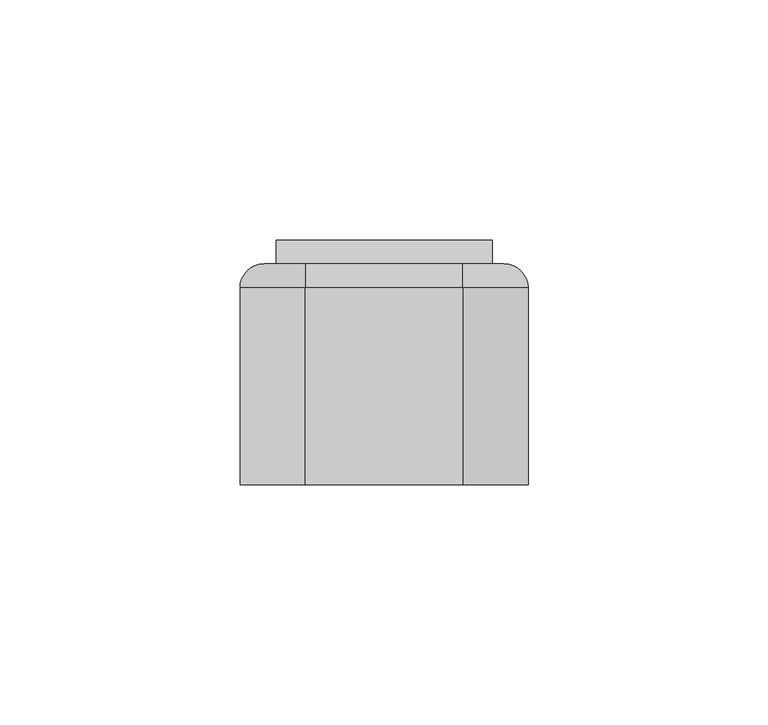
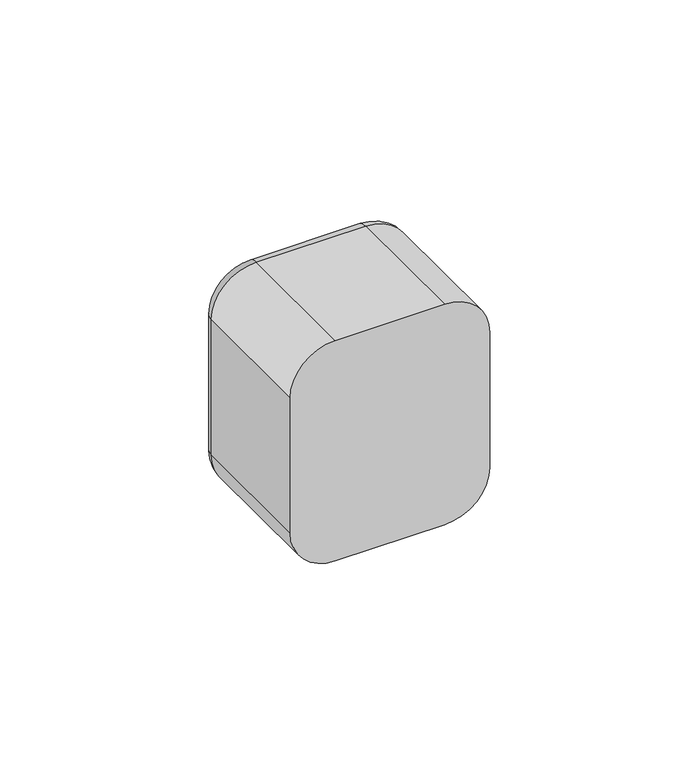
"""IFC4 building model written with IfcOpenShell, lengths in millimetres: switching device geometry."""

from ifc_helpers import new_model, si_unit, point, frame, origin, place, context, project, spatial, polyline, circle_curve, ellipse_curve, trimmed, outline, extrude, faceted_brep, source, transform, mapped, element, save
from ifc_brep_helpers import plane_surface, cylinder_surface, revolved_surface, advanced_brep


def switching_device_c38644a6(model_context):
    return source(origin(), model_context, "Body", "SolidModel", [
        advanced_brep(
        [(16.4328665, 46.0, 30.0), (25.0, 46.0, 21.4328665), (25.0, 46.0, -21.4328665), (16.4328665, 46.0, -30.0), (-16.4328665, 46.0, -30.0), (-25.0, 46.0, -21.4328665), (-25.0, 46.0, 21.4328665), (-16.4328665, 46.0, 30.0), (22.5, 46.0, 22.5), (-22.5, 46.0, 22.5), (-22.5, 46.0, -22.5), (22.5, 46.0, -22.5), (-16.4328665, 0.0, 35.0), (-30.0, 0.0, 21.4328665), (-30.0, 0.0, -21.4328665), (-16.4328665, 0.0, -35.0), (16.4328665, 0.0, -35.0), (30.0, 0.0, -21.4328665), (30.0, 0.0, 21.4328665), (16.4328665, 0.0, 35.0), (22.5, 2.0, -22.5), (22.5, 2.0, 22.5), (-22.5, 2.0, -22.5), (-22.5, 2.0, 22.5), (-30.0, 41.0, 21.4328665), (-30.0, 41.0, -21.4328665), (-16.4328665, 41.0, -35.0), (16.4328665, 41.0, -35.0), (30.0, 41.0, -21.4328665), (30.0, 41.0, 21.4328665), (16.4328665, 41.0000072, 35.0), (-16.4328665, 41.0, 35.0)],
        [
            (0, 1, circle_curve(frame((16.4328665, 46.0, 21.4328665), z_axis=(0.0, 1.0, 0.0), x_axis=(0.0, 0.0, 1.0)), 8.5671335)),
            (1, 2),
            (2, 3, circle_curve(frame((16.4328665, 46.0, -21.4328665), z_axis=(0.0, 1.0, 0.0), x_axis=(1.0, 0.0, 0.0)), 8.5671335)),
            (3, 4),
            (4, 5, circle_curve(frame((-16.4328665, 46.0, -21.4328665), z_axis=(0.0, 1.0, 0.0), x_axis=(0.0, 0.0, -1.0)), 8.5671335)),
            (5, 6),
            (6, 7, circle_curve(frame((-16.4328665, 46.0, 21.4328665), z_axis=(0.0, 1.0, 0.0), x_axis=(-1.0, 0.0, 0.0)), 8.5671335)),
            (7, 0),
            (8, 9),
            (9, 10),
            (10, 11),
            (11, 8),
            (12, 13, circle_curve(frame((-16.4328665, 0.0, 21.4328665), z_axis=(0.0, -1.0, 0.0), x_axis=(1.0, 0.0, 0.0)), 13.5671335)),
            (13, 14),
            (14, 15, circle_curve(frame((-16.4328665, 0.0, -21.4328665), z_axis=(0.0, -1.0, 0.0), x_axis=(1.0, 0.0, 0.0)), 13.5671335)),
            (15, 16),
            (16, 17, circle_curve(frame((16.4328665, 0.0, -21.4328665), z_axis=(0.0, -1.0, 0.0), x_axis=(1.0, 0.0, 0.0)), 13.5671335)),
            (17, 18),
            (18, 19, circle_curve(frame((16.4328665, 0.0, 21.4328665), z_axis=(0.0, -1.0, 0.0), x_axis=(1.0, 0.0, 0.0)), 13.5671335)),
            (19, 12),
            (11, 20),
            (20, 21),
            (21, 8),
            (10, 22),
            (22, 20),
            (9, 23),
            (23, 22),
            (21, 23),
            (13, 24),
            (24, 25),
            (25, 14),
            (15, 26),
            (26, 27),
            (27, 16),
            (17, 28),
            (28, 29),
            (29, 18),
            (19, 30),
            (30, 31),
            (31, 12),
            (31, 24, circle_curve(frame((-16.4328665, 41.0, 21.4328665), z_axis=(0.0, -1.0, 0.0), x_axis=(1.0, 0.0, 0.0)), 13.5671335)),
            (25, 26, circle_curve(frame((-16.4328665, 41.0, -21.4328665), z_axis=(0.0, -1.0, 0.0), x_axis=(1.0, 0.0, 0.0)), 13.5671335)),
            (27, 28, circle_curve(frame((16.4328665, 41.0, -21.4328665), z_axis=(0.0, -1.0, 0.0), x_axis=(1.0, 0.0, 0.0)), 13.5671335)),
            (29, 30, circle_curve(frame((16.4328665, 41.0, 21.4328665), z_axis=(0.0, -1.0, 0.0), x_axis=(1.0, 0.0, 0.0)), 13.5671335)),
            (29, 1, circle_curve(frame((25.0, 41.0, 21.4328665), z_axis=(0.0, 0.0, 1.0), x_axis=(0.0, 1.0, 0.0)), 5.0)),
            (0, 30, circle_curve(frame((16.4328665, 41.0, 30.0), z_axis=(1.0, 0.0, 0.0), x_axis=(0.0, 1.0, 0.0)), 5.0)),
            (28, 2, circle_curve(frame((25.0, 41.0, -21.4328665), z_axis=(0.0, 0.0, 1.0), x_axis=(0.0, 1.0, 0.0)), 5.0)),
            (27, 3, circle_curve(frame((16.4328665, 41.0, -30.0), z_axis=(1.0, 0.0, 0.0), x_axis=(0.0, 1.0, 0.0)), 5.0)),
            (26, 4, circle_curve(frame((-16.4328665, 41.0, -30.0), z_axis=(1.0, 0.0, 0.0), x_axis=(0.0, 1.0, 0.0)), 5.0)),
            (25, 5, circle_curve(frame((-25.0, 41.0, -21.4328665), z_axis=(0.0, 0.0, -1.0), x_axis=(0.0, 1.0, 0.0)), 5.0)),
            (24, 6, circle_curve(frame((-25.0, 41.0, 21.4328665), z_axis=(0.0, 0.0, -1.0), x_axis=(0.0, 1.0, 0.0)), 5.0)),
            (31, 7, circle_curve(frame((-16.4328665, 41.0, 30.0), z_axis=(-1.0, 0.0, 0.0), x_axis=(0.0, 1.0, 0.0)), 5.0)),
        ],
        [
            plane_surface(frame((22.5, 46.0, 6.9412233), z_axis=(0.0, 1.0, 0.0), x_axis=(0.0, 0.0, 1.0))),
            plane_surface(frame((22.5, 0.0, 6.9412233), z_axis=(0.0, -1.0, 0.0), x_axis=(0.0, 0.0, -1.0))),
            plane_surface(frame((22.5, 0.0, 22.5), z_axis=(-1.0, 0.0, 0.0), x_axis=(0.0, 1.0, 0.0))),
            plane_surface(frame((22.5, 0.0, -22.5), z_axis=(0.0, 0.0, 1.0), x_axis=(0.0, 1.0, 0.0))),
            plane_surface(frame((-22.5, 0.0, -22.5), z_axis=(1.0, 0.0, 0.0), x_axis=(0.0, 1.0, 0.0))),
            plane_surface(frame((-22.5, 0.0, 22.5), z_axis=(0.0, 0.0, -1.0), x_axis=(0.0, 1.0, 0.0))),
            plane_surface(frame((-30.0, 0.0, 21.4328665), z_axis=(-1.0, 0.0, 0.0), x_axis=(0.0, 1.0, 0.0))),
            plane_surface(frame((-16.4328665, 0.0, -35.0), z_axis=(0.0, 0.0, -1.0), x_axis=(0.0, 1.0, 0.0))),
            plane_surface(frame((30.0, 0.0, -21.4328665), z_axis=(1.0, 0.0, 0.0), x_axis=(0.0, 1.0, 0.0))),
            plane_surface(frame((16.4328665, 0.0, 35.0), z_axis=(0.0, 0.0, 1.0), x_axis=(0.0, 1.0, 0.0))),
            cylinder_surface(frame((-16.4328665, 0.0, 21.4328665), z_axis=(0.0, -1.0, 0.0), x_axis=(1.0, 0.0, 0.0)), 13.5671335),
            cylinder_surface(frame((-16.4328665, 0.0, -21.4328665), z_axis=(0.0, -1.0, 0.0), x_axis=(1.0, 0.0, 0.0)), 13.5671335),
            cylinder_surface(frame((16.4328665, 0.0, -21.4328665), z_axis=(0.0, -1.0, 0.0), x_axis=(1.0, 0.0, 0.0)), 13.5671335),
            cylinder_surface(frame((16.4328665, 0.0, 21.4328665), z_axis=(0.0, -1.0, 0.0), x_axis=(1.0, 0.0, 0.0)), 13.5671335),
            plane_surface(frame((-22.5, 2.0, 31.0), z_axis=(0.0, 1.0, 0.0), x_axis=(0.0, 0.0, 1.0))),
            revolved_surface(trimmed(ellipse_curve(frame((16.4328665, 41.0, 30.0), z_axis=(-1.0, 0.0, 0.0), x_axis=(0.0, 1.0, 0.0)), 5.0, 5.0), [point((16.4328665, 41.0, 35.0))], [point((16.4328665, 46.0, 30.0))], True, "CARTESIAN"), (16.4328665, 46.0, 21.4328665), (0.0, 1.0, 0.0)),
            cylinder_surface(frame((25.0, 41.0, 21.4328665), z_axis=(0.0, 0.0, -1.0), x_axis=(0.0, 1.0, 0.0)), 5.0),
            revolved_surface(trimmed(ellipse_curve(frame((25.0, 41.0, -21.4328665), z_axis=(0.0, 0.0, 1.0), x_axis=(0.0, 1.0, 0.0)), 5.0, 5.0), [point((30.0, 41.0, -21.4328665))], [point((25.0, 46.0, -21.4328665))], True, "CARTESIAN"), (16.4328665, 46.0, -21.4328665), (0.0, 1.0, 0.0)),
            cylinder_surface(frame((16.4328665, 41.0, -30.0), z_axis=(-1.0, 0.0, 0.0), x_axis=(0.0, 1.0, 0.0)), 5.0),
            revolved_surface(trimmed(ellipse_curve(frame((-16.4328665, 41.0, -30.0), z_axis=(1.0, 0.0, 0.0), x_axis=(0.0, 1.0, 0.0)), 5.0, 5.0), [point((-16.4328665, 41.0, -35.0))], [point((-16.4328665, 46.0, -30.0))], True, "CARTESIAN"), (-16.4328665, 46.0, -21.4328665), (0.0, 1.0, 0.0)),
            cylinder_surface(frame((-25.0, 41.0, -21.4328665), z_axis=(0.0, 0.0, 1.0), x_axis=(0.0, 1.0, 0.0)), 5.0),
            revolved_surface(trimmed(ellipse_curve(frame((-25.0, 41.0, 21.4328665), z_axis=(0.0, 0.0, -1.0), x_axis=(0.0, 1.0, 0.0)), 5.0, 5.0), [point((-30.0, 41.0, 21.4328665))], [point((-25.0, 46.0, 21.4328665))], True, "CARTESIAN"), (-16.4328665, 46.0, 21.4328665), (0.0, 1.0, 0.0)),
            cylinder_surface(frame((-16.4328665, 41.0, 30.0), z_axis=(1.0, 0.0, 0.0), x_axis=(0.0, 1.0, 0.0)), 5.0),
        ],
        [
            (0, [[1, 2, 3, 4, 5, 6, 7, 8], [9, 10, 11, 12]]),
            (1, [[13, 14, 15, 16, 17, 18, 19, 20]]),
            (2, [[-12, 21, 22, 23]]),
            (3, [[-11, 24, 25, -21]]),
            (4, [[-10, 26, 27, -24]]),
            (5, [[-9, -23, 28, -26]]),
            (6, [[-14, 29, 30, 31]]),
            (7, [[-16, 32, 33, 34]]),
            (8, [[-18, 35, 36, 37]]),
            (9, [[-20, 38, 39, 40]]),
            (10, [[-13, -40, 41, -29]]),
            (11, [[-15, -31, 42, -32]]),
            (12, [[-17, -34, 43, -35]]),
            (13, [[-19, -37, 44, -38]]),
            (14, [[-22, -25, -27, -28]]),
            (15, [[45, -1, 46, -44]]),
            (16, [[-45, -36, 47, -2]]),
            (17, [[-47, -43, 48, -3]]),
            (18, [[-48, -33, 49, -4]]),
            (19, [[-49, -42, 50, -5]]),
            (20, [[-50, -30, 51, -6]]),
            (21, [[-51, -41, 52, -7]]),
            (22, [[-46, -8, -52, -39]]),
        ],
    ),
        extrude(outline(polyline([(0.0, -2.0), (0.0, 0.0), (0.9999999, 0.0), (0.9999999, -2.0), (0.0, -2.0)])), frame((1.0, 48.2452249, -2.4844182), z_axis=(0.0, 0.11147470448260206, 0.9937672716790972), x_axis=(0.0, -0.9937672716790972, 0.11147470448260206)), (0.0, 0.0, 1.0), 5.0),
        faceted_brep([(22.5, 46.0, -22.5), (22.5, 50.9850961, 21.9408026), (22.5, 46.0, 22.5), (-22.5, 46.0, -22.5), (-22.5, 46.0, 22.5), (-22.5, 50.9850961, 21.9408026), (1.0, 48.2452249, -2.4844182), (1.0, 48.8025985, 2.4844182), (-1.0, 48.8025985, 2.4844182), (-1.0, 48.2452249, -2.4844182), (1.0, 47.2514577, -2.3729435), (-1.0, 47.2514577, -2.3729435), (-1.0, 47.8088312, 2.5958929), (1.0, 47.8088312, 2.5958929)], [[[0, 1, 2]], [[3, 4, 5]], [[1, 0, 3, 5], [6, 7, 8, 9]], [[2, 1, 5, 4]], [[0, 2, 4, 3]], [[10, 11, 12, 13]], [[10, 13, 7, 6]], [[13, 12, 8, 7]], [[12, 11, 9, 8]], [[11, 10, 6, 9]]]),
        extrude(outline(polyline([(22.5, 2.0), (-22.5, 2.0), (-22.5, 38.0), (22.5, 38.0), (22.5, 2.0)])), frame((0.0, 0.0, -22.5), z_axis=(0.0, 0.0, 1.0), x_axis=(1.0, 0.0, 0.0)), (0.0, 0.0, 1.0), 45.0),
        extrude(outline(polyline([(22.5, 38.0), (-22.5, 38.0), (-22.5, 46.0), (22.5, 46.0), (22.5, 38.0)])), frame((0.0, 0.0, -22.5), z_axis=(0.0, 0.0, 1.0), x_axis=(1.0, 0.0, 0.0)), (0.0, 0.0, 1.0), 45.0),
    ])


if __name__ == "__main__":
    model = new_model("IFC4")
    model_context = context("Model", 3, world=origin())
    ifc_project = project(units=[si_unit("LENGTHUNIT", "METRE", prefix="MILLI")], contexts=[model_context])
    site = spatial("IfcSite", under=ifc_project)
    building = spatial("IfcBuilding", under=site)
    placement = place(None, origin())
    switching_device_shape = switching_device_c38644a6(model_context)
    element("IfcSwitchingDevice", 1, at=placement, inside=building, context=model_context, shape_type="MappedRepresentation", body=[
        mapped(switching_device_shape, transform((0.0, 0.0, 0.0), x_axis=(1.0, 0.0, 0.0), y_axis=(0.0, 1.0, 0.0), z_axis=(0.0, 0.0, 1.0))),
    ])
    save(model, "model.ifc")
